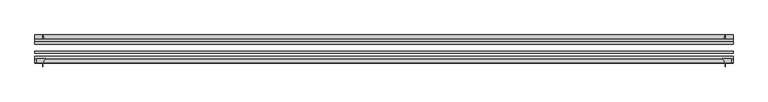
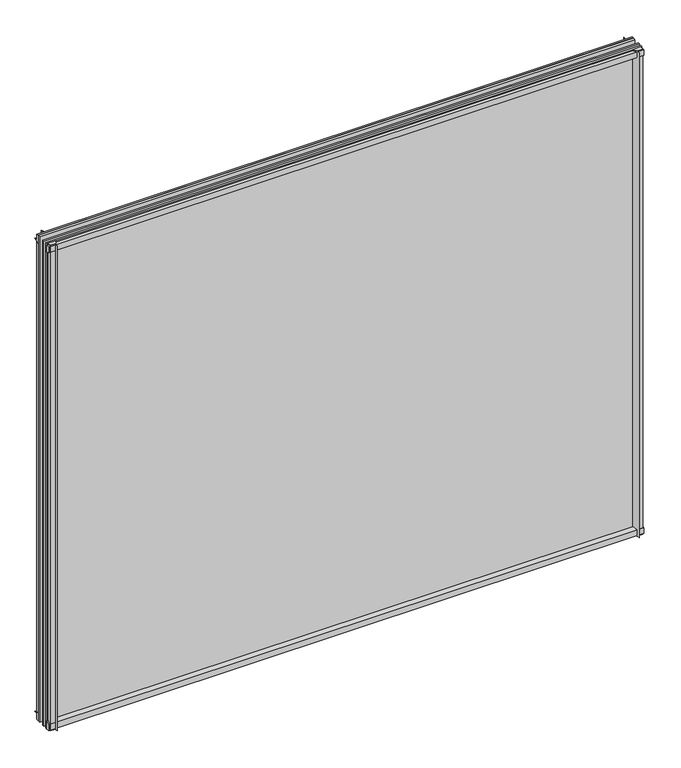
"""IFC4 building model written with IfcOpenShell, lengths in millimetres: plate geometry."""

from ifc_helpers import new_model, si_unit, point, frame, frame_2d, origin, place, context, project, spatial, polyline, circle_curve, trimmed, segment, composite_curve, outline, extrude, source, transform, mapped, element, save


def plate_1a6d104e(model_context):
    return source(origin(), model_context, "Body", "SweptSolid", [
        extrude(outline(composite_curve([segment(polyline([(-42.891075, -11.1125), (-42.891075, 3.8539528)]), True, "CONTINUOUS"), segment(trimmed(circle_curve(frame_2d((-26.637892, 29.5913262)), 30.4397495), [point((-42.891075, 3.8539528))], [point((-33.7745413, 0.0))], True, "CARTESIAN"), True, "CONTINUOUS"), segment(polyline([(-33.7745413, 0.0), (-39.690675, 0.0), (-39.690675, -11.1125), (-42.891075, -11.1125)]), True, "CONTINUOUS")], self_intersect=False)), frame((-508.7794625, 0.0, 0.0), z_axis=(1.0, 0.0, 0.0), x_axis=(0.0, 1.0, 0.0)), (0.0, 0.0, 1.0), 1017.558925),
        extrude(outline(composite_curve([segment(trimmed(circle_curve(frame_2d((-80.4922797, 17.8701603)), 18.6769817), [point((-74.641075, 0.1333891))], [point((-68.291075, 3.72943))], True, "CARTESIAN"), True, "CONTINUOUS"), segment(polyline([(-68.291075, 3.72943), (-68.291075, -10.3251), (-74.641075, -10.3251), (-74.641075, 0.1333891)]), True, "CONTINUOUS")], self_intersect=False)), frame((-508.7794625, 0.0, 0.0), z_axis=(1.0, 0.0, 0.0), x_axis=(0.0, 1.0, 0.0)), (0.0, 0.0, 1.0), 1017.558925),
        extrude(outline(composite_curve([segment(polyline([(-42.891075, 850.2083472), (-42.891075, 865.1875), (-39.690675, 865.1875), (-39.690675, 854.075), (-33.721675, 854.075)]), True, "CONTINUOUS"), segment(trimmed(circle_curve(frame_2d((-26.637892, 824.4709738)), 30.4397495), [point((-33.721675, 854.075))], [point((-42.891075, 850.2083472))], True, "CARTESIAN"), True, "CONTINUOUS")], self_intersect=False)), frame((-508.7794625, 0.0, 0.0), z_axis=(1.0, 0.0, 0.0), x_axis=(0.0, 1.0, 0.0)), (0.0, 0.0, 1.0), 1017.558925),
        extrude(outline(composite_curve([segment(polyline([(-68.291075, 862.8126), (-68.291075, 849.53912)]), True, "CONTINUOUS"), segment(trimmed(circle_curve(frame_2d((-80.4922797, 835.3983897)), 18.6769817), [point((-68.291075, 849.53912))], [point((-74.641075, 853.1351609))], True, "CARTESIAN"), True, "CONTINUOUS"), segment(polyline([(-74.641075, 853.1351609), (-74.641075, 862.8126), (-68.291075, 862.8126)]), True, "CONTINUOUS")], self_intersect=False)), frame((-508.7794625, 0.0, 0.0), z_axis=(1.0, 0.0, 0.0), x_axis=(0.0, 1.0, 0.0)), (0.0, 0.0, 1.0), 1017.558925),
        extrude(outline(composite_curve([segment(polyline([(493.1310825, -68.291075), (506.4045625, -68.291075), (506.4045625, -74.641075), (497.6669625, -74.641075), (497.6669625, -80.3744844)]), True, "CONTINUOUS"), segment(trimmed(circle_curve(frame_2d((478.9903522, -80.4922797)), 18.6769817), [point((497.6669625, -80.3744844))], [point((493.1310825, -68.291075))], True, "CARTESIAN"), True, "CONTINUOUS")], self_intersect=False)), frame((0.0, 0.0, -11.1125), z_axis=(0.0, 0.0, 1.0), x_axis=(1.0, 0.0, 0.0)), (0.0, 0.0, 1.0), 876.3),
        extrude(outline(composite_curve([segment(trimmed(circle_curve(frame_2d((468.0629363, -26.637892)), 30.4397495), [point((493.8003097, -42.891075))], [point((497.6669625, -33.721675))], True, "CARTESIAN"), True, "CONTINUOUS"), segment(polyline([(497.6669625, -33.721675), (497.6669625, -39.690675), (508.7794625, -39.690675), (508.7794625, -42.891075), (493.8003097, -42.891075)]), True, "CONTINUOUS")], self_intersect=False)), frame((0.0, 0.0, -11.1125), z_axis=(0.0, 0.0, 1.0), x_axis=(1.0, 0.0, 0.0)), (0.0, 0.0, 1.0), 876.3),
        extrude(outline(composite_curve([segment(trimmed(circle_curve(frame_2d((-478.9903522, -80.4922797)), 18.6769817), [point((-493.1310825, -68.291075))], [point((-497.6669625, -80.3744844))], True, "CARTESIAN"), True, "CONTINUOUS"), segment(polyline([(-497.6669625, -80.3744844), (-497.6669625, -74.641075), (-506.4045625, -74.641075), (-506.4045625, -68.291075), (-493.1310825, -68.291075)]), True, "CONTINUOUS")], self_intersect=False)), frame((0.0, 0.0, -11.1125), z_axis=(0.0, 0.0, 1.0), x_axis=(1.0, 0.0, 0.0)), (0.0, 0.0, 1.0), 876.3),
        extrude(outline(composite_curve([segment(polyline([(-493.8003097, -42.891075), (-508.7794625, -42.891075), (-508.7794625, -39.690675), (-497.6669625, -39.690675), (-497.6669625, -33.721675)]), True, "CONTINUOUS"), segment(trimmed(circle_curve(frame_2d((-468.0629363, -26.637892)), 30.4397495), [point((-497.6669625, -33.721675))], [point((-493.8003097, -42.891075))], True, "CARTESIAN"), True, "CONTINUOUS")], self_intersect=False)), frame((0.0, 0.0, -11.1125), z_axis=(0.0, 0.0, 1.0), x_axis=(1.0, 0.0, 0.0)), (0.0, 0.0, 1.0), 876.3),
        extrude(outline(polyline([(-508.7794625, -42.891075), (508.7794625, -42.891075), (508.7794625, -47.653575), (-508.7794625, -47.653575), (-508.7794625, -42.891075)])), frame((0.0, 0.0, -11.1125), z_axis=(0.0, 0.0, 1.0), x_axis=(1.0, 0.0, 0.0)), (0.0, 0.0, 1.0), 876.3),
        extrude(outline(polyline([(508.7794625, -57.369075), (508.7794625, -60.544075), (-508.7794625, -60.544075), (-508.7794625, -57.369075), (508.7794625, -57.369075)])), frame((0.0, 0.0, -11.1125), z_axis=(0.0, 0.0, 1.0), x_axis=(1.0, 0.0, 0.0)), (0.0, 0.0, 1.0), 876.3),
        extrude(outline(polyline([(-508.7794625, -65.116075), (508.7794625, -65.116075), (508.7794625, -68.291075), (-508.7794625, -68.291075), (-508.7794625, -65.116075)])), frame((0.0, 0.0, -11.1125), z_axis=(0.0, 0.0, 1.0), x_axis=(1.0, 0.0, 0.0)), (0.0, 0.0, 1.0), 876.3),
    ])


if __name__ == "__main__":
    model = new_model("IFC4")
    model_context = context("Model", 3, world=origin())
    ifc_project = project(units=[si_unit("LENGTHUNIT", "METRE", prefix="MILLI")], contexts=[model_context])
    site = spatial("IfcSite", under=ifc_project)
    building = spatial("IfcBuilding", under=site)
    placement = place(None, origin())
    plate_shape = plate_1a6d104e(model_context)
    element("IfcPlate", 1, at=placement, inside=building, context=model_context, shape_type="MappedRepresentation", body=[
        mapped(plate_shape, transform((0.0, 0.0, 0.0), x_axis=(1.0, 0.0, 0.0), y_axis=(0.0, 1.0, 0.0), z_axis=(0.0, 0.0, 1.0))),
    ])
    save(model, "model.ifc")
